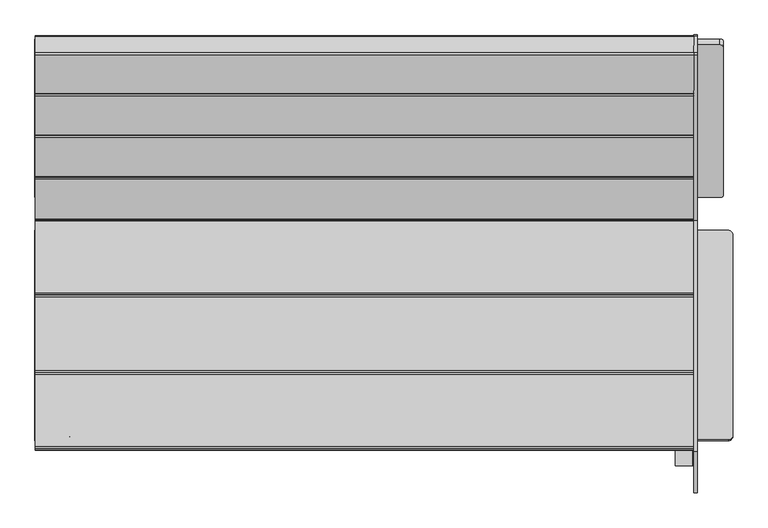
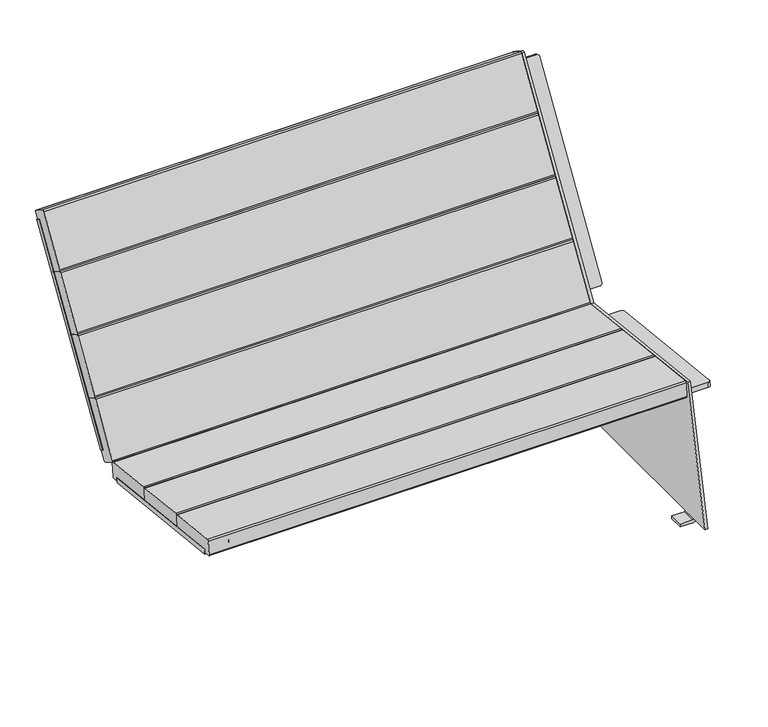
"""IFC4 building model written with IfcOpenShell, lengths in millimetres: furniture geometry."""

from ifc_helpers import new_model, si_unit, point, frame, frame_2d, origin, place, context, project, spatial, polyline, circle_curve, trimmed, segment, composite_curve, outline, extrude, source, transform, mapped, element, save
from ifc_brep_helpers import plane_surface, cylinder_surface, revolved_surface, advanced_brep


def furniture_81f98b83(model_context):
    return source(origin(), model_context, "Body", "SolidModel", [
        extrude(outline(composite_curve([segment(polyline([(0.0, 0.0), (62.0, 0.0)]), True, "CONTINUOUS"), segment(trimmed(circle_curve(frame_2d((62.0, -7.9999999)), 8.0), [point((62.0, 0.0))], [point((70.0, -7.9999999))], False, "CARTESIAN"), True, "CONTINUOUS"), segment(polyline([(70.0, -7.9999999), (70.0, -412.0)]), True, "CONTINUOUS"), segment(trimmed(circle_curve(frame_2d((62.0, -412.0)), 8.0), [point((70.0, -412.0))], [point((62.0, -419.9999999))], False, "CARTESIAN"), True, "CONTINUOUS"), segment(polyline([(62.0, -419.9999999), (0.0, -419.9999999), (0.0, 0.0)]), True, "CONTINUOUS")], self_intersect=False)), frame((-657.0, 64.9245626, 292.0493405), z_axis=(0.0, 0.10875935595835198, 0.9940681075718728), x_axis=(1.0, 0.0, 0.0)), (0.0, 0.0, 1.0), 13.4436598),
        extrude(outline(composite_curve([segment(trimmed(circle_curve(frame_2d((0.0, -7.0)), 7.0), [point((-7.0000001, -7.0))], [point((0.9971933, -0.0713923))], False, "CARTESIAN"), True, "CONTINUOUS"), segment(polyline([(0.9971933, -0.0713923), (560.1716558, -0.0713923)]), True, "CONTINUOUS"), segment(trimmed(circle_curve(frame_2d((560.1716558, -7.0421103)), 6.970718), [point((560.1716558, -0.0713923))], [point((567.1423738, -7.0421103))], False, "CARTESIAN"), True, "CONTINUOUS"), segment(polyline([(567.1423738, -7.0421103), (567.1423738, -51.3139346), (-7.0000001, -51.3139346), (-7.0000001, -7.0)]), True, "CONTINUOUS")], self_intersect=False)), frame((-605.6860654, 443.881284, 819.0950313), z_axis=(0.0, -0.8485020904898253, 0.5291920279391936), x_axis=(0.0, -0.5291920279391936, -0.8485020904898253)), (0.0, 0.0, 1.0), 13.5362306),
        advanced_brep(
        [(612.6860654, 447.5856282, 825.034546), (657.0, 447.5856282, 825.034546), (657.0, 143.7540611, 337.8735415), (612.7281757, 143.7540611, 337.8735415), (605.7574577, 147.4429095, 343.7882103), (605.7574577, 443.3535773, 818.2489107), (612.6860654, 436.1001082, 832.1978113), (605.7574577, 431.8680573, 825.4121761), (605.7574577, 135.9573895, 350.9514757), (612.7281757, 132.2685411, 345.0368069), (657.0, 132.2685411, 345.0368069), (657.0, 436.1001082, 832.1978113), (657.0, -352.5840425, 337.72827), (595.0, -352.5840425, 337.72827), (587.0, -344.6314977, 336.8581951), (587.0, 56.9720178, 292.9194153), (595.0, 64.9245626, 292.0493405), (657.0, 64.9245626, 292.0493405), (657.0, 66.3866864, 305.4132539), (595.0, 66.3866864, 305.4132539), (587.0, 58.4341416, 306.2833288), (587.0, -343.1693739, 350.2221086), (595.0, -351.1219188, 351.0921834), (657.0, -351.1219188, 351.0921834), (664.3530995, 416.258891, 865.7075655), (664.3530995, 86.6444472, 338.6611211), (664.3530995, -373.3719642, 389.484152), (664.3530995, -456.0558579, 11.1667328), (664.3530995, -402.6111949, 11.1667328), (664.3530995, -402.6111949, 9.0224925), (664.3530995, -363.0893218, 9.0224925), (664.3530995, -363.0893218, 11.1667328), (664.3530995, 245.8206665, 11.1667328), (664.3530995, 245.8206665, 9.0224925), (664.3530995, 285.3425396, 9.0224925), (664.3530995, 285.3425396, 11.1667328), (664.3530995, 315.1665847, 11.1667328), (664.3530995, 455.9996665, 842.4923379), (664.3530995, 454.188803, 846.5443154), (664.3530995, 421.7832207, 866.9704616), (664.3530995, 64.9245626, 292.0493405), (664.3530995, -352.5840425, 337.72827), (664.3530995, -351.1219188, 351.0921834), (664.3530995, 66.3866864, 305.4132539), (664.3530995, 447.5856282, 825.034546), (664.3530995, 143.7540611, 337.8735415), (664.3530995, 132.2685411, 345.0368069), (664.3530995, 436.1001082, 832.1978113), (657.0, 416.258891, 865.7075655), (657.0, 421.7832207, 866.9704616), (657.0, 454.188803, 846.5443154), (657.0, 455.9996665, 842.4923379), (657.0, 315.1665847, 11.1667328), (657.0, 285.3425396, 11.1667328), (657.0, 285.3425396, 10.1913955), (657.0, 245.8206665, 10.1913955), (657.0, 245.8206665, 11.1667328), (657.0, -363.0893218, 11.1667328), (657.0, -363.0893218, 10.1913955), (657.0, -402.6111949, 10.1913955), (657.0, -402.6111949, 11.1667328), (657.0, -456.0558579, 11.1667328), (657.0, -373.3719642, 389.484152), (657.0, 86.6444472, 338.6611211), (726.3530995, 64.9245626, 292.0493405), (734.3530995, 56.9720178, 292.9194153), (734.3530995, -344.6314977, 336.8581951), (726.3530995, -352.5840425, 337.72827), (726.3530995, -351.1219188, 351.0921834), (734.3530995, -343.1693739, 350.2221086), (734.3530995, 58.4341416, 306.2833288), (726.3530995, 66.3866864, 305.4132539), (655.3306071, 285.3425396, 0.0), (619.6140905, 285.3425396, 0.0), (619.6140905, 285.3425396, 8.1418753), (654.9504798, 285.3425396, 8.1418753), (654.9504798, 245.8206665, 8.1418753), (619.6140905, 245.8206665, 8.1418753), (619.6140905, 245.8206665, 0.0), (655.3306071, 245.8206665, 0.0), (708.6670341, 447.5856282, 825.034546), (715.5956418, 443.3535773, 818.2489107), (715.5956418, 147.4429095, 343.7882103), (708.6249239, 143.7540611, 337.8735415), (708.6670341, 436.1001082, 832.1978113), (708.6249239, 132.2685411, 345.0368069), (715.5956418, 135.9573895, 350.9514757), (715.5956418, 431.8680573, 825.4121761), (655.3306071, -363.0893218, 0.0), (619.6140905, -363.0893218, 0.0), (619.6140905, -363.0893218, 8.1418753), (654.9504798, -363.0893218, 8.1418753), (654.9504798, -402.6111949, 8.1418753), (619.6140905, -402.6111949, 8.1418753), (619.6140905, -402.6111949, 0.0), (655.3306071, -402.6111949, 0.0)],
        [
            (0, 1),
            (1, 2),
            (2, 3),
            (3, 4, circle_curve(frame((612.7281757, 147.4429095, 343.7882103), z_axis=(0.0, 0.8485020904898253, -0.5291920279391936), x_axis=(1.0, 0.0, 0.0)), 6.970718)),
            (4, 5),
            (5, 0, circle_curve(frame((612.6860654, 443.881284, 819.0950313), z_axis=(0.0, 0.8485020904898253, -0.5291920279391936), x_axis=(-1.0, 0.0, 0.0)), 7.0)),
            (6, 7, circle_curve(frame((612.6860654, 432.395764, 826.2582967), z_axis=(0.0, -0.8485020904898253, 0.5291920279391936), x_axis=(-1.0, 0.0, 0.0)), 7.0)),
            (7, 8),
            (8, 9, circle_curve(frame((612.7281757, 135.9573895, 350.9514757), z_axis=(0.0, -0.8485020904898253, 0.5291920279391936), x_axis=(1.0, 0.0, 0.0)), 6.970718)),
            (9, 10),
            (10, 11),
            (11, 6),
            (5, 7),
            (6, 0),
            (2, 10),
            (9, 3),
            (11, 1),
            (8, 4),
            (12, 13),
            (13, 14, circle_curve(frame((595.0, -344.6314977, 336.8581951), z_axis=(0.0, -0.10875935595835198, -0.9940681075718728), x_axis=(0.0, 0.9940681075718728, -0.10875935595835198)), 8.0)),
            (14, 15),
            (15, 16, circle_curve(frame((595.0, 56.9720178, 292.9194153), z_axis=(0.0, -0.10875935595835198, -0.9940681075718728), x_axis=(0.0, 0.9940681075718728, -0.10875935595835198)), 8.0)),
            (16, 17),
            (17, 12),
            (18, 19),
            (19, 20, circle_curve(frame((595.0, 58.4341416, 306.2833288), z_axis=(0.0, 0.10875935595835198, 0.9940681075718728), x_axis=(0.0, 0.9940681075718728, -0.10875935595835198)), 8.0)),
            (20, 21),
            (21, 22, circle_curve(frame((595.0, -343.1693739, 350.2221086), z_axis=(0.0, 0.10875935595835198, 0.9940681075718728), x_axis=(0.0, 0.9940681075718728, -0.10875935595835198)), 8.0)),
            (22, 23),
            (23, 18),
            (16, 19),
            (18, 17),
            (15, 20),
            (14, 21),
            (13, 22),
            (12, 23),
            (24, 25),
            (25, 26),
            (26, 27),
            (27, 28),
            (28, 29),
            (29, 30),
            (30, 31),
            (31, 32),
            (32, 33),
            (33, 34),
            (34, 35),
            (35, 36),
            (36, 37),
            (37, 38, circle_curve(frame((664.3530995, 452.0558579, 843.16045), z_axis=(1.0, 0.0, 0.0), x_axis=(0.0, 1.0, 0.0)), 4.0)),
            (38, 39),
            (39, 24, circle_curve(frame((664.3530995, 419.6502756, 863.5865962), z_axis=(1.0, 0.0, 0.0), x_axis=(0.0, 1.0, 0.0)), 4.0)),
            (40, 41),
            (41, 42),
            (42, 43),
            (43, 40),
            (44, 45),
            (45, 46),
            (46, 47),
            (47, 44),
            (48, 49, circle_curve(frame((657.0, 419.6502756, 863.5865962), z_axis=(-1.0, 0.0, 0.0), x_axis=(0.0, 1.0, 0.0)), 4.0)),
            (49, 50),
            (50, 51, circle_curve(frame((657.0, 452.0558579, 843.16045), z_axis=(-1.0, 0.0, 0.0), x_axis=(0.0, 1.0, 0.0)), 4.0)),
            (51, 52),
            (52, 53),
            (53, 54),
            (54, 55),
            (55, 56),
            (56, 57),
            (57, 58),
            (58, 59),
            (59, 60),
            (60, 61),
            (61, 62),
            (62, 63),
            (63, 48),
            (36, 52),
            (51, 37),
            (50, 38),
            (49, 39),
            (48, 24),
            (63, 25),
            (62, 26),
            (40, 64),
            (64, 65, circle_curve(frame((726.3530995, 56.9720178, 292.9194153), z_axis=(0.0, -0.10875935595835198, -0.9940681075718728), x_axis=(0.0, 0.9940681075718728, -0.10875935595835198)), 8.0)),
            (65, 66),
            (66, 67, circle_curve(frame((726.3530995, -344.6314977, 336.8581951), z_axis=(0.0, -0.10875935595835198, -0.9940681075718728), x_axis=(0.0, 0.9940681075718728, -0.10875935595835198)), 8.0)),
            (67, 41),
            (42, 68),
            (68, 69, circle_curve(frame((726.3530995, -343.1693739, 350.2221086), z_axis=(0.0, 0.10875935595835198, 0.9940681075718728), x_axis=(0.0, 0.9940681075718728, -0.10875935595835198)), 8.0)),
            (69, 70),
            (70, 71, circle_curve(frame((726.3530995, 58.4341416, 306.2833288), z_axis=(0.0, 0.10875935595835198, 0.9940681075718728), x_axis=(0.0, 0.9940681075718728, -0.10875935595835198)), 8.0)),
            (71, 43),
            (71, 64),
            (70, 65),
            (69, 66),
            (68, 67),
            (34, 72, circle_curve(frame((655.3306071, 285.3425396, 9.0224925), z_axis=(0.0, 1.0, 0.0), x_axis=(1.0, 0.0, 0.0)), 9.0224925)),
            (72, 73),
            (73, 74),
            (74, 75),
            (75, 54, circle_curve(frame((654.9504798, 285.3425396, 10.1913955), z_axis=(0.0, -1.0, 0.0), x_axis=(1.0, 0.0, 0.0)), 2.0495202)),
            (53, 35),
            (55, 76, circle_curve(frame((654.9504798, 245.8206665, 10.1913955), z_axis=(0.0, 1.0, 0.0), x_axis=(1.0, 0.0, 0.0)), 2.0495202)),
            (76, 77),
            (77, 78),
            (78, 79),
            (79, 33, circle_curve(frame((655.3306071, 245.8206665, 9.0224925), z_axis=(0.0, -1.0, 0.0), x_axis=(1.0, 0.0, 0.0)), 9.0224925)),
            (32, 56),
            (75, 76),
            (74, 77),
            (73, 78),
            (72, 79),
            (80, 81, circle_curve(frame((708.6670341, 443.881284, 819.0950313), z_axis=(0.0, 0.8485020904898253, -0.5291920279391936), x_axis=(1.0, 0.0, 0.0)), 7.0)),
            (81, 82),
            (82, 83, circle_curve(frame((708.6249239, 147.4429095, 343.7882103), z_axis=(0.0, 0.8485020904898253, -0.5291920279391936), x_axis=(-1.0, 0.0, 0.0)), 6.970718)),
            (83, 45),
            (44, 80),
            (84, 47),
            (46, 85),
            (85, 86, circle_curve(frame((708.6249239, 135.9573895, 350.9514757), z_axis=(0.0, -0.8485020904898253, 0.5291920279391936), x_axis=(-1.0, 0.0, 0.0)), 6.970718)),
            (86, 87),
            (87, 84, circle_curve(frame((708.6670341, 432.395764, 826.2582967), z_axis=(0.0, -0.8485020904898253, 0.5291920279391936), x_axis=(1.0, 0.0, 0.0)), 7.0)),
            (80, 84),
            (87, 81),
            (83, 85),
            (82, 86),
            (61, 27),
            (31, 57),
            (60, 28),
            (30, 88, circle_curve(frame((655.3306071, -363.0893218, 9.0224925), z_axis=(0.0, 1.0, 0.0), x_axis=(1.0, 0.0, 0.0)), 9.0224925)),
            (88, 89),
            (89, 90),
            (90, 91),
            (91, 58, circle_curve(frame((654.9504798, -363.0893218, 10.1913955), z_axis=(0.0, -1.0, 0.0), x_axis=(1.0, 0.0, 0.0)), 2.0495202)),
            (59, 92, circle_curve(frame((654.9504798, -402.6111949, 10.1913955), z_axis=(0.0, 1.0, 0.0), x_axis=(1.0, 0.0, 0.0)), 2.0495202)),
            (92, 93),
            (93, 94),
            (94, 95),
            (95, 29, circle_curve(frame((655.3306071, -402.6111949, 9.0224925), z_axis=(0.0, -1.0, 0.0), x_axis=(1.0, 0.0, 0.0)), 9.0224925)),
            (91, 92),
            (90, 93),
            (89, 94),
            (88, 95),
        ],
        [
            plane_surface(frame((657.1685248, 447.5856282, 825.034546), z_axis=(0.0, 0.8485020904898253, -0.5291920279391936), x_axis=(1.0, 0.0, 0.0))),
            plane_surface(frame((657.1685248, 436.1001082, 832.1978113), z_axis=(0.0, -0.8485020904898253, 0.5291920279391936), x_axis=(-1.0, 0.0, 0.0))),
            cylinder_surface(frame((612.6860654, 432.395764, 826.2582967), z_axis=(0.0, 0.8485020904898253, -0.5291920279391936), x_axis=(-1.0, 0.0, 0.0)), 7.0),
            plane_surface(frame((657.0, 143.7540611, 337.8735415), z_axis=(0.0, -0.5291920279391876, -0.848502090489829), x_axis=(0.0, -0.848502090489829, 0.5291920279391876))),
            plane_surface(frame((612.6860654, 447.5856282, 825.034546), z_axis=(0.0, 0.5291920279391971, 0.8485020904898233), x_axis=(0.0, -0.8485020904898233, 0.5291920279391971))),
            cylinder_surface(frame((612.7281757, 135.9573895, 350.9514757), z_axis=(0.0, 0.8485020904898253, -0.5291920279391936), x_axis=(1.0, 0.0, 0.0)), 6.970718),
            plane_surface(frame((605.7574577, 147.4429095, 343.7882103), z_axis=(-1.0000000000000002, 0.0, 0.0), x_axis=(0.0, -0.8485020904898233, 0.5291920279391971))),
            plane_surface(frame((657.0, -352.5840425, 337.72827), z_axis=(0.0, -0.10875935595835198, -0.9940681075718728), x_axis=(0.0, -0.9940681075718728, 0.10875935595835198))),
            plane_surface(frame((657.0, -351.1219188, 351.0921834), z_axis=(0.0, 0.10875935595835198, 0.9940681075718728), x_axis=(0.0, 0.9940681075718728, -0.10875935595835198))),
            plane_surface(frame((595.0, 64.9245626, 292.0493405), z_axis=(0.0, 0.9940681075718729, -0.108759355958351), x_axis=(0.0, 0.108759355958351, 0.9940681075718729))),
            cylinder_surface(frame((595.0, 58.4341416, 306.2833288), z_axis=(0.0, -0.10875935595835198, -0.9940681075718728), x_axis=(0.0, 0.9940681075718728, -0.10875935595835198)), 8.0),
            plane_surface(frame((587.0, -344.6314977, 336.8581951), z_axis=(-1.0, 0.0, 0.0), x_axis=(0.0, 0.10875935595835129, 0.9940681075718729))),
            cylinder_surface(frame((595.0, -343.1693739, 350.2221086), z_axis=(0.0, -0.10875935595835198, -0.9940681075718728), x_axis=(0.0, 0.9940681075718728, -0.10875935595835198)), 8.0),
            plane_surface(frame((657.0, -352.5840425, 337.72827), z_axis=(0.0, -0.9940681075718729, 0.10875935595835129), x_axis=(0.0, 0.10875935595835129, 0.9940681075718729))),
            plane_surface(frame((664.3530995, 86.6444472, 338.6611211), z_axis=(1.0, 0.0, 0.0), x_axis=(0.0, -0.5302423273850112, -0.8478461383112661))),
            plane_surface(frame((657.0, 86.6444472, 338.6611211), z_axis=(-1.0, 0.0, 0.0), x_axis=(0.0, 0.5302423273850112, 0.8478461383112661))),
            plane_surface(frame((664.3530995, 315.1665847, 11.1667328), z_axis=(0.0, 0.985952147265219, -0.16702803148904094), x_axis=(-1.0, 0.0, 0.0))),
            cylinder_surface(frame((657.0, 452.0558579, 843.16045), z_axis=(1.0, 0.0, 0.0), x_axis=(0.0, 1.0, 0.0)), 4.0),
            plane_surface(frame((664.3530995, 454.188803, 846.5443154), z_axis=(0.0, 0.5332362847455431, 0.8459663495853545), x_axis=(-1.0, 0.0, 0.0))),
            cylinder_surface(frame((657.0, 419.6502756, 863.5865962), z_axis=(1.0, 0.0, 0.0), x_axis=(0.0, 1.0, 0.0)), 4.0),
            plane_surface(frame((664.3530995, 416.258891, 865.7075655), z_axis=(0.0, -0.8478461383112661, 0.5302423273850112), x_axis=(-1.0, 0.0, 0.0))),
            plane_surface(frame((664.3530995, 86.6444472, 338.6611211), z_axis=(0.0, 0.10981275199900423, 0.9939522923653857), x_axis=(-1.0, 0.0, 0.0))),
            plane_surface(frame((664.3530995, 64.9245626, 292.0493405), z_axis=(0.0, -0.10875935595835198, -0.9940681075718728), x_axis=(1.0, 0.0, 0.0))),
            plane_surface(frame((664.3530995, 66.3866864, 305.4132539), z_axis=(0.0, 0.10875935595835198, 0.9940681075718728), x_axis=(-1.0, 0.0, 0.0))),
            plane_surface(frame((664.3530995, 64.9245626, 292.0493405), z_axis=(0.0, 0.9940681075718728, -0.10875935595835218), x_axis=(0.0, 0.10875935595835218, 0.9940681075718728))),
            cylinder_surface(frame((726.3530995, 58.4341416, 306.2833288), z_axis=(0.0, -0.10875935595835198, -0.9940681075718728), x_axis=(0.0, 0.9940681075718728, -0.10875935595835198)), 8.0),
            plane_surface(frame((734.3530995, 56.9720178, 292.9194153), z_axis=(1.0, 0.0, 0.0), x_axis=(0.0, 0.10875935595835218, 0.9940681075718728))),
            cylinder_surface(frame((726.3530995, -343.1693739, 350.2221086), z_axis=(0.0, -0.10875935595835198, -0.9940681075718728), x_axis=(0.0, 0.9940681075718728, -0.10875935595835198)), 8.0),
            plane_surface(frame((726.3530995, -352.5840425, 337.72827), z_axis=(0.0, -0.9940681075718729, 0.10875935595835183), x_axis=(0.0, 0.10875935595835183, 0.9940681075718729))),
            plane_surface(frame((657.0, 285.3425396, 15.0954559), z_axis=(0.0, 1.0, 0.0), x_axis=(0.0, 0.0, 1.0))),
            plane_surface(frame((657.0, 245.8206665, 15.0954559), z_axis=(0.0, -1.0, 0.0), x_axis=(0.0, 0.0, -1.0))),
            revolved_surface(polyline([(657.0, 245.8206665, 10.1913955), (657.0, 285.3425396, 10.1913955)]), (654.9504798, 245.8206665, 10.1913955), (0.0, -1.0, 0.0)),
            plane_surface(frame((619.6140905, 285.3425396, 8.1418753), z_axis=(0.0, 0.0, 1.0), x_axis=(0.0, -1.0, 0.0))),
            plane_surface(frame((619.6140905, 285.3425396, 0.0), z_axis=(-1.0, 0.0, 0.0), x_axis=(0.0, -1.0, 0.0))),
            plane_surface(frame((655.3306071, 285.3425396, 0.0), z_axis=(0.0, 0.0, -1.0), x_axis=(0.0, -1.0, 0.0))),
            cylinder_surface(frame((655.3306071, 245.8206665, 9.0224925), z_axis=(0.0, 1.0, 0.0), x_axis=(1.0, 0.0, 0.0)), 9.0224925),
            plane_surface(frame((715.6670341, 443.881284, 819.0950313), z_axis=(0.0, 0.8485020904898254, -0.5291920279391936), x_axis=(0.0, -0.5291920279391936, -0.8485020904898254))),
            plane_surface(frame((715.6670341, 432.395764, 826.2582967), z_axis=(0.0, -0.8485020904898254, 0.5291920279391936), x_axis=(0.0, 0.5291920279391936, 0.8485020904898254))),
            cylinder_surface(frame((708.6670341, 432.395764, 826.2582967), z_axis=(0.0, 0.8485020904898253, -0.5291920279391936), x_axis=(1.0, 0.0, 0.0)), 7.0),
            plane_surface(frame((708.6249239, 143.7540611, 337.8735415), z_axis=(0.0, -0.5291920279391912, -0.8485020904898268), x_axis=(0.0, -0.8485020904898268, 0.5291920279391912))),
            plane_surface(frame((664.3530995, 447.5856282, 825.034546), z_axis=(0.0, 0.5291920279391971, 0.8485020904898233), x_axis=(0.0, -0.8485020904898233, 0.5291920279391971))),
            cylinder_surface(frame((708.6249239, 135.9573895, 350.9514757), z_axis=(0.0, 0.8485020904898253, -0.5291920279391936), x_axis=(-1.0, 0.0, 0.0)), 6.970718),
            plane_surface(frame((715.5956418, 443.3535773, 818.2489107), z_axis=(1.0, 0.0, 0.0), x_axis=(0.0, -0.8485020904898246, 0.5291920279391947))),
            plane_surface(frame((664.3530995, -373.3719642, 389.484152), z_axis=(0.0, -0.976939376766058, 0.2135168708180833), x_axis=(-1.0, 0.0, 0.0))),
            plane_surface(frame((664.3530995, -456.0558579, 11.1667328), z_axis=(0.0, 0.0, -1.0), x_axis=(-1.0, 0.0, 0.0))),
            plane_surface(frame((657.0, -363.0893218, 15.0954559), z_axis=(0.0, 1.0, 0.0), x_axis=(0.0, 0.0, 1.0))),
            plane_surface(frame((657.0, -402.6111949, 15.0954559), z_axis=(0.0, -1.0, 0.0), x_axis=(0.0, 0.0, -1.0))),
            revolved_surface(polyline([(657.0, -402.6111949, 10.1913955), (657.0, -363.0893218, 10.1913955)]), (654.9504798, -402.6111949, 10.1913955), (0.0, -1.0, 0.0)),
            plane_surface(frame((619.6140905, -363.0893218, 8.1418753), z_axis=(0.0, 0.0, 1.0), x_axis=(0.0, -1.0, 0.0))),
            plane_surface(frame((619.6140905, -363.0893218, 0.0), z_axis=(-1.0, 0.0, 0.0), x_axis=(0.0, -1.0, 0.0))),
            plane_surface(frame((655.3306071, -363.0893218, 0.0), z_axis=(0.0, 0.0, -1.0), x_axis=(0.0, -1.0, 0.0))),
            cylinder_surface(frame((655.3306071, -402.6111949, 9.0224925), z_axis=(0.0, 1.0, 0.0), x_axis=(1.0, 0.0, 0.0)), 9.0224925),
        ],
        [
            (0, [[1, 2, 3, 4, 5, 6]]),
            (1, [[7, 8, 9, 10, 11, 12]]),
            (2, [[-6, 13, -7, 14]]),
            (3, [[-3, 15, -10, 16]]),
            (4, [[-1, -14, -12, 17]]),
            (5, [[-4, -16, -9, 18]]),
            (6, [[-5, -18, -8, -13]]),
            (7, [[19, 20, 21, 22, 23, 24]]),
            (8, [[25, 26, 27, 28, 29, 30]]),
            (9, [[-23, 31, -25, 32]]),
            (10, [[-22, 33, -26, -31]]),
            (11, [[-21, 34, -27, -33]]),
            (12, [[-20, 35, -28, -34]]),
            (13, [[-19, 36, -29, -35]]),
            (14, [[37, 38, 39, 40, 41, 42, 43, 44, 45, 46, 47, 48, 49, 50, 51, 52], [53, 54, 55, 56], [57, 58, 59, 60]]),
            (15, [[61, 62, 63, 64, 65, 66, 67, 68, 69, 70, 71, 72, 73, 74, 75, 76], [-2, -17, -11, -15], [-24, -32, -30, -36]]),
            (16, [[-49, 77, -64, 78]]),
            (17, [[-50, -78, -63, 79]]),
            (18, [[-51, -79, -62, 80]]),
            (19, [[-52, -80, -61, 81]]),
            (20, [[-37, -81, -76, 82]]),
            (21, [[-38, -82, -75, 83]]),
            (22, [[84, 85, 86, 87, 88, -53]]),
            (23, [[89, 90, 91, 92, 93, -55]]),
            (24, [[-84, -56, -93, 94]]),
            (25, [[-85, -94, -92, 95]]),
            (26, [[-86, -95, -91, 96]]),
            (27, [[-87, -96, -90, 97]]),
            (28, [[-88, -97, -89, -54]]),
            (29, [[98, 99, 100, 101, 102, -66, 103, -47]]),
            (30, [[-68, 104, 105, 106, 107, 108, -45, 109]]),
            (31, [[-102, 110, -104, -67]]),
            (32, [[-101, 111, -105, -110]]),
            (33, [[-100, 112, -106, -111]]),
            (34, [[-99, 113, -107, -112]]),
            (35, [[-98, -46, -108, -113]]),
            (36, [[114, 115, 116, 117, -57, 118]]),
            (37, [[119, -59, 120, 121, 122, 123]]),
            (38, [[-114, 124, -123, 125]]),
            (39, [[-117, 126, -120, -58]]),
            (40, [[-118, -60, -119, -124]]),
            (41, [[-116, 127, -121, -126]]),
            (42, [[-115, -125, -122, -127]]),
            (43, [[-39, -83, -74, 128]]),
            (44, [[-77, -48, -103, -65]]),
            (44, [[-109, -44, 129, -69]]),
            (44, [[-128, -73, 130, -40]]),
            (45, [[131, 132, 133, 134, 135, -70, -129, -43]]),
            (46, [[-72, 136, 137, 138, 139, 140, -41, -130]]),
            (47, [[-135, 141, -136, -71]]),
            (48, [[-134, 142, -137, -141]]),
            (49, [[-133, 143, -138, -142]]),
            (50, [[-132, 144, -139, -143]]),
            (51, [[-131, -42, -140, -144]]),
        ],
    ),
        extrude(outline(composite_curve([segment(polyline([(372.1893568, 718.3858055), (340.7947795, 737.9659106)]), True, "CONTINUOUS"), segment(trimmed(circle_curve(frame_2d((342.9115476, 741.3599189)), 4.0), [point((340.7947795, 737.9659106))], [point((339.5175392, 743.476687))], False, "CARTESIAN"), True, "CONTINUOUS"), segment(polyline([(339.5175392, 743.476687), (416.0750536, 866.2283681)]), True, "CONTINUOUS"), segment(trimmed(circle_curve(frame_2d((419.469062, 864.1115999)), 4.0), [point((416.0750536, 866.2283681))], [point((421.5858301, 867.5056083))], False, "CARTESIAN"), True, "CONTINUOUS"), segment(polyline([(421.5858301, 867.5056083), (452.9804075, 847.9255033)]), True, "CONTINUOUS"), segment(trimmed(circle_curve(frame_2d((450.8636394, 844.5314949)), 4.0), [point((452.9804075, 847.9255033))], [point((454.2576477, 842.4147268))], False, "CARTESIAN"), True, "CONTINUOUS"), segment(polyline([(454.2576477, 842.4147268), (377.7001333, 719.6630458)]), True, "CONTINUOUS"), segment(trimmed(circle_curve(frame_2d((374.306125, 721.7798139)), 4.0), [point((377.7001333, 719.6630458))], [point((372.1893568, 718.3858055))], False, "CARTESIAN"), True, "CONTINUOUS")], self_intersect=False)), frame((-655.9426651, 0.0, 0.0), z_axis=(1.0, 0.0, 0.0), x_axis=(0.0, 1.0, 0.0)), (0.0, 0.0, 1.0), 1312.9426651),
        extrude(outline(composite_curve([segment(polyline([(289.5079285, 585.815092), (258.1133512, 605.395197)]), True, "CONTINUOUS"), segment(trimmed(circle_curve(frame_2d((260.2301193, 608.7892053)), 4.0), [point((258.1133512, 605.395197))], [point((256.8361109, 610.9059735))], False, "CARTESIAN"), True, "CONTINUOUS"), segment(polyline([(256.8361109, 610.9059735), (335.284003, 736.6886703)]), True, "CONTINUOUS"), segment(trimmed(circle_curve(frame_2d((338.6780114, 734.5719022)), 4.0), [point((335.284003, 736.6886703))], [point((340.7947795, 737.9659106))], False, "CARTESIAN"), True, "CONTINUOUS"), segment(polyline([(340.7947795, 737.9659106), (372.1893568, 718.3858055)]), True, "CONTINUOUS"), segment(trimmed(circle_curve(frame_2d((370.0725887, 714.9917972)), 4.0), [point((372.1893568, 718.3858055))], [point((373.4665971, 712.875029))], False, "CARTESIAN"), True, "CONTINUOUS"), segment(polyline([(373.4665971, 712.875029), (295.018705, 587.0923322)]), True, "CONTINUOUS"), segment(trimmed(circle_curve(frame_2d((291.6246967, 589.2091003)), 4.0), [point((295.018705, 587.0923322))], [point((289.5079285, 585.815092))], False, "CARTESIAN"), True, "CONTINUOUS")], self_intersect=False)), frame((-655.9426651, 0.0, 0.0), z_axis=(1.0, 0.0, 0.0), x_axis=(0.0, 1.0, 0.0)), (0.0, 0.0, 1.0), 1312.9426651),
        extrude(outline(composite_curve([segment(polyline([(206.1545173, 452.1669265), (174.7599399, 471.7470315)]), True, "CONTINUOUS"), segment(trimmed(circle_curve(frame_2d((176.876708, 475.1410399)), 4.0), [point((174.7599399, 471.7470315))], [point((173.4826997, 477.257808))], False, "CARTESIAN"), True, "CONTINUOUS"), segment(polyline([(173.4826997, 477.257808), (252.6025747, 604.1179567)]), True, "CONTINUOUS"), segment(trimmed(circle_curve(frame_2d((255.9965831, 602.0011886)), 4.0), [point((252.6025747, 604.1179567))], [point((258.1133512, 605.395197))], False, "CARTESIAN"), True, "CONTINUOUS"), segment(polyline([(258.1133512, 605.395197), (289.5079285, 585.815092)]), True, "CONTINUOUS"), segment(trimmed(circle_curve(frame_2d((287.3911604, 582.4210836)), 4.0), [point((289.5079285, 585.815092))], [point((290.7851688, 580.3043155))], False, "CARTESIAN"), True, "CONTINUOUS"), segment(polyline([(290.7851688, 580.3043155), (211.6652937, 453.4441667)]), True, "CONTINUOUS"), segment(trimmed(circle_curve(frame_2d((208.2712854, 455.5609348)), 4.0), [point((211.6652937, 453.4441667))], [point((206.1545173, 452.1669265))], False, "CARTESIAN"), True, "CONTINUOUS")], self_intersect=False)), frame((-655.9426651, 0.0, 0.0), z_axis=(1.0, 0.0, 0.0), x_axis=(0.0, 1.0, 0.0)), (0.0, 0.0, 1.0), 1312.9426651),
        extrude(outline(composite_curve([segment(polyline([(121.4405987, 316.337335), (90.0460214, 335.9174401)]), True, "CONTINUOUS"), segment(trimmed(circle_curve(frame_2d((92.1627895, 339.3114484)), 4.0), [point((90.0460214, 335.9174401))], [point((88.7687811, 341.4282165))], False, "CARTESIAN"), True, "CONTINUOUS"), segment(polyline([(88.7687811, 341.4282165), (169.2491634, 470.4697913)]), True, "CONTINUOUS"), segment(trimmed(circle_curve(frame_2d((172.6431718, 468.3530232)), 4.0), [point((169.2491634, 470.4697913))], [point((174.7599399, 471.7470315))], False, "CARTESIAN"), True, "CONTINUOUS"), segment(polyline([(174.7599399, 471.7470315), (206.1545173, 452.1669265)]), True, "CONTINUOUS"), segment(trimmed(circle_curve(frame_2d((204.0377492, 448.7729181)), 4.0), [point((206.1545173, 452.1669265))], [point((207.4317575, 446.65615))], False, "CARTESIAN"), True, "CONTINUOUS"), segment(polyline([(207.4317575, 446.65615), (126.9513752, 317.6145753)]), True, "CONTINUOUS"), segment(trimmed(circle_curve(frame_2d((123.5573669, 319.7313434)), 4.0), [point((126.9513752, 317.6145753))], [point((121.4405987, 316.337335))], False, "CARTESIAN"), True, "CONTINUOUS")], self_intersect=False)), frame((-655.9426651, 0.0, 0.0), z_axis=(1.0, 0.0, 0.0), x_axis=(0.0, 1.0, 0.0)), (0.0, 0.0, 1.0), 1312.9426651),
        extrude(outline(composite_curve([segment(polyline([(-225.4658286, 327.2846845), (-368.114602, 342.8916521)]), True, "CONTINUOUS"), segment(trimmed(circle_curve(frame_2d((-367.6795646, 346.8679245)), 4.0), [point((-368.114602, 342.8916521))], [point((-371.655837, 347.3029619))], False, "CARTESIAN"), True, "CONTINUOUS"), segment(polyline([(-371.655837, 347.3029619), (-367.6317409, 384.0834819)]), True, "CONTINUOUS"), segment(trimmed(circle_curve(frame_2d((-363.6554684, 383.6484445)), 4.0), [point((-367.6317409, 384.0834819))], [point((-363.220431, 387.6247169))], False, "CARTESIAN"), True, "CONTINUOUS"), segment(polyline([(-363.220431, 387.6247169), (-220.5716576, 372.0177493)]), True, "CONTINUOUS"), segment(trimmed(circle_curve(frame_2d((-221.006695, 368.0414769)), 4.0), [point((-220.5716576, 372.0177493))], [point((-217.0304226, 367.6064395))], False, "CARTESIAN"), True, "CONTINUOUS"), segment(polyline([(-217.0304226, 367.6064395), (-221.0545187, 330.8259195)]), True, "CONTINUOUS"), segment(trimmed(circle_curve(frame_2d((-225.0307912, 331.2609569)), 4.0), [point((-221.0545187, 330.8259195))], [point((-225.4658286, 327.2846845))], False, "CARTESIAN"), True, "CONTINUOUS")], self_intersect=False)), frame((-656.3826934, 0.0, 0.0), z_axis=(1.0, 0.0, 0.0), x_axis=(0.0, 1.0, 0.0)), (0.0, 0.0, 1.0), 1313.3826934),
        extrude(outline(composite_curve([segment(polyline([(-70.3952494, 310.3186676), (-217.5132837, 326.4146096)]), True, "CONTINUOUS"), segment(trimmed(circle_curve(frame_2d((-217.0782463, 330.3908821)), 4.0), [point((-217.5132837, 326.4146096))], [point((-221.0545187, 330.8259195))], False, "CARTESIAN"), True, "CONTINUOUS"), segment(polyline([(-221.0545187, 330.8259195), (-217.0304226, 367.6064395)]), True, "CONTINUOUS"), segment(trimmed(circle_curve(frame_2d((-213.0541501, 367.171402)), 4.0), [point((-217.0304226, 367.6064395))], [point((-212.6191127, 371.1476745))], False, "CARTESIAN"), True, "CONTINUOUS"), segment(polyline([(-212.6191127, 371.1476745), (-65.5010784, 355.0517324)]), True, "CONTINUOUS"), segment(trimmed(circle_curve(frame_2d((-65.9361158, 351.07546)), 4.0), [point((-65.5010784, 355.0517324))], [point((-61.9598434, 350.6404226))], False, "CARTESIAN"), True, "CONTINUOUS"), segment(polyline([(-61.9598434, 350.6404226), (-65.9839395, 313.8599026)]), True, "CONTINUOUS"), segment(trimmed(circle_curve(frame_2d((-69.960212, 314.29494)), 4.0), [point((-65.9839395, 313.8599026))], [point((-70.3952494, 310.3186676))], False, "CARTESIAN"), True, "CONTINUOUS")], self_intersect=False)), frame((-656.162683, 0.0, 0.0), z_axis=(1.0, 0.0, 0.0), x_axis=(0.0, 1.0, 0.0)), (0.0, 0.0, 1.0), 1313.162683),
        extrude(outline(composite_curve([segment(polyline([(81.2041826, 293.7324232), (-62.4427045, 309.4485927)]), True, "CONTINUOUS"), segment(trimmed(circle_curve(frame_2d((-62.0076671, 313.4248652)), 4.0), [point((-62.4427045, 309.4485927))], [point((-65.9839395, 313.8599026))], False, "CARTESIAN"), True, "CONTINUOUS"), segment(polyline([(-65.9839395, 313.8599026), (-61.9598434, 350.6404226)]), True, "CONTINUOUS"), segment(trimmed(circle_curve(frame_2d((-57.9835709, 350.2053851)), 4.0), [point((-61.9598434, 350.6404226))], [point((-57.5485335, 354.1816576))], False, "CARTESIAN"), True, "CONTINUOUS"), segment(polyline([(-57.5485335, 354.1816576), (86.0983536, 338.465488)]), True, "CONTINUOUS"), segment(trimmed(circle_curve(frame_2d((85.6633162, 334.4892156)), 4.0), [point((86.0983536, 338.465488))], [point((89.6395886, 334.0541782))], False, "CARTESIAN"), True, "CONTINUOUS"), segment(polyline([(89.6395886, 334.0541782), (85.6154924, 297.2736582)]), True, "CONTINUOUS"), segment(trimmed(circle_curve(frame_2d((81.63922, 297.7086956)), 4.0), [point((85.6154924, 297.2736582))], [point((81.2041826, 293.7324232))], False, "CARTESIAN"), True, "CONTINUOUS")], self_intersect=False)), frame((-655.9426651, 0.0, 0.0), z_axis=(1.0, 0.0, 0.0), x_axis=(0.0, 1.0, 0.0)), (0.0, 0.0, 1.0), 1312.9426651),
    ])


if __name__ == "__main__":
    model = new_model("IFC4")
    model_context = context("Model", 3, world=origin())
    ifc_project = project(units=[si_unit("LENGTHUNIT", "METRE", prefix="MILLI")], contexts=[model_context])
    site = spatial("IfcSite", under=ifc_project)
    building = spatial("IfcBuilding", under=site)
    placement = place(None, origin())
    furniture_shape = furniture_81f98b83(model_context)
    element("IfcFurniture", 1, at=placement, inside=building, context=model_context, shape_type="MappedRepresentation", body=[
        mapped(furniture_shape, transform((0.0, 0.0, 0.0), x_axis=(1.0, 0.0, 0.0), y_axis=(0.0, 1.0, 0.0), z_axis=(0.0, 0.0, 1.0))),
    ])
    save(model, "model.ifc")
